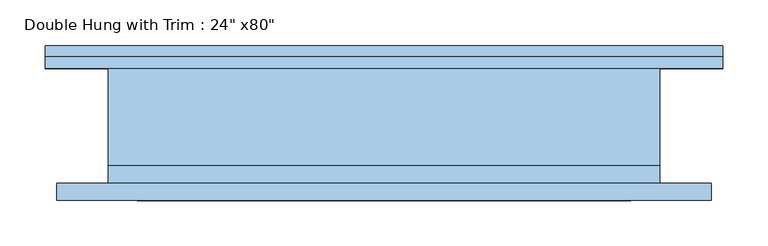
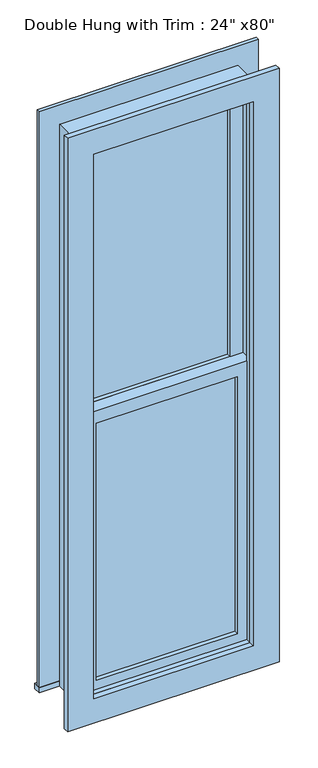
"""IFC4 building model written with IfcOpenShell, lengths in millimetres: window geometry."""

import ifcopenshell
import ifcopenshell.guid

model = None  # the IFC model being written
_history = None  # IfcOwnerHistory: only IFC2X3 demands one
_inside = {}  # id of a spatial element -> (the spatial element, [elements in it])
_under = {}  # id of a project, library or spatial element -> (it, [spatial elements below it])
_declared = {}  # id of a project -> (the project, [libraries it declares])
_typed = {}  # id of a type object -> (the type object, [elements of that type])
_made_of = {}  # id of a material, layer set ... -> (it, [elements and type objects made of it])


def new_model(schema):
    """Start an empty IFC model of exactly this schema.

    Asked for "IFC4X3", IfcOpenShell would pick the latest addendum, in which some entities
    have other attributes; the version numbers below select the first issue.
    IFC2X3 requires an IfcOwnerHistory on every rooted entity: one is made here for all.
    """
    global model, _history
    if schema == "IFC4X3":
        model = ifcopenshell.file(schema_version=(4, 3, 0, 0))
    else:
        model = ifcopenshell.file(schema=schema)
    _inside.clear()
    _under.clear()
    _declared.clear()
    _typed.clear()
    _made_of.clear()
    _history = None
    if model.schema == "IFC2X3":
        org = make("IfcOrganization", Name="unknown")
        user = make(
            "IfcPersonAndOrganization",
            ThePerson=make("IfcPerson", FamilyName="unknown"),
            TheOrganization=org,
        )
        app = make(
            "IfcApplication",
            ApplicationDeveloper=org,
            Version="unknown",
            ApplicationFullName="unknown",
            ApplicationIdentifier="unknown",
        )
        _history = make(
            "IfcOwnerHistory",
            OwningUser=user,
            OwningApplication=app,
            ChangeAction="ADDED",
            CreationDate=0,
        )
    return model


def make(cls, **values):
    """One entity of the class cls with the attributes given. An attribute that is None is left unset."""
    return model.create_entity(
        cls, **{name: value for name, value in values.items() if value is not None}
    )


def rooted(cls, **values):
    """An entity with a GlobalId (a new one), such as an element, a storey or a relation."""
    return make(cls, GlobalId=ifcopenshell.guid.new(), OwnerHistory=_history, **values)


def si_unit(unit_type, name, prefix=None):
    """IfcSIUnit, for example si_unit("LENGTHUNIT", "METRE", prefix="MILLI")."""
    return make("IfcSIUnit", UnitType=unit_type, Prefix=prefix, Name=name)


def assignment(units):
    """IfcUnitAssignment: the units of a project."""
    return None if units is None else make("IfcUnitAssignment", Units=units)


def point(xyz):
    """IfcCartesianPoint."""
    return None if xyz is None else make("IfcCartesianPoint", Coordinates=xyz)


def direction(xyz):
    """IfcDirection."""
    return None if xyz is None else make("IfcDirection", DirectionRatios=xyz)


def frame(location, z_axis=None, x_axis=None):
    """IfcAxis2Placement3D, a coordinate frame: its origin and axes. An axis left out is left unset."""
    return make(
        "IfcAxis2Placement3D",
        Location=point(location),
        Axis=direction(z_axis),
        RefDirection=direction(x_axis),
    )


def origin():
    """The frame at (0, 0, 0) with its axes left unset."""
    return frame((0.0, 0.0, 0.0))


def place(relative_to, where):
    """IfcLocalPlacement: puts the frame where relative to a parent placement (None: the world)."""
    return make(
        "IfcLocalPlacement", PlacementRelTo=relative_to, RelativePlacement=where
    )


def context(
    kind, dimensions, precision=None, world=None, true_north=None, identifier=None
):
    """IfcGeometricRepresentationContext, for example the 3D "Model" context."""
    return make(
        "IfcGeometricRepresentationContext",
        ContextIdentifier=identifier,
        ContextType=kind,
        CoordinateSpaceDimension=dimensions,
        Precision=precision,
        WorldCoordinateSystem=world,
        TrueNorth=true_north,
    )


def project(units=None, contexts=None):
    """IfcProject with its units and contexts."""
    return rooted(
        "IfcProject",
        Name="project",
        RepresentationContexts=contexts,
        UnitsInContext=assignment(units),
    )


def spatial(cls, under=None, at=None, **own):
    """A site, building, storey or space (cls), placed at a placement, below another one or the project."""
    s = rooted(cls, ObjectPlacement=at, **own)
    if under is not None:
        _under.setdefault(under.id(), (under, []))[1].append(s)
    return s


def polyline(points):
    """IfcPolyline through the points."""
    return make("IfcPolyline", Points=[point(p) for p in points])


def outline(outer, holes=None, kind="AREA"):
    """IfcArbitraryClosedProfileDef: a profile drawn as a closed curve; with holes, ...WithVoids."""
    if holes is None:
        return make("IfcArbitraryClosedProfileDef", ProfileType=kind, OuterCurve=outer)
    return make(
        "IfcArbitraryProfileDefWithVoids",
        ProfileType=kind,
        OuterCurve=outer,
        InnerCurves=holes,
    )


def extrude(swept, where, along, depth):
    """IfcExtrudedAreaSolid: the profile swept, set in the frame where, extruded along a direction by depth."""
    return make(
        "IfcExtrudedAreaSolid",
        SweptArea=swept,
        Position=where,
        ExtrudedDirection=direction(along),
        Depth=depth,
    )


def shape(context_of_items, identifier, shape_type, items):
    """IfcShapeRepresentation: the items that make up one representation, for example the "Body"."""
    return make(
        "IfcShapeRepresentation",
        ContextOfItems=context_of_items,
        RepresentationIdentifier=identifier,
        RepresentationType=shape_type,
        Items=items,
    )


def source(mapping_origin, context_of_items, identifier, shape_type, items):
    """IfcRepresentationMap: a shape defined once, which mapped items show again and again."""
    return make(
        "IfcRepresentationMap",
        MappingOrigin=mapping_origin,
        MappedRepresentation=shape(context_of_items, identifier, shape_type, items),
    )


def transform(
    local_origin,
    x_axis=None,
    y_axis=None,
    z_axis=None,
    scale=None,
    scale2=None,
    scale3=None,
    uniform=True,
):
    """IfcCartesianTransformationOperator3D, or its non-uniform kind. x_axis, y_axis, z_axis: its Axis1, 2, 3."""
    if uniform:
        return make(
            "IfcCartesianTransformationOperator3D",
            Axis1=direction(x_axis),
            Axis2=direction(y_axis),
            LocalOrigin=point(local_origin),
            Scale=scale,
            Axis3=direction(z_axis),
        )
    return make(
        "IfcCartesianTransformationOperator3DnonUniform",
        Axis1=direction(x_axis),
        Axis2=direction(y_axis),
        LocalOrigin=point(local_origin),
        Scale=scale,
        Axis3=direction(z_axis),
        Scale2=scale2,
        Scale3=scale3,
    )


def mapped(mapping_source, mapping_target):
    """IfcMappedItem: shows the shape of a source again, moved by a transform."""
    return make(
        "IfcMappedItem", MappingSource=mapping_source, MappingTarget=mapping_target
    )


def made_of(thing, what):
    """Note that an element or type object is made of a material, layer set ...; save() writes the relation."""
    if what is not None:
        _made_of.setdefault(what.id(), (what, []))[1].append(thing)
    return thing


def element(
    cls,
    number,
    at=None,
    inside=None,
    cuts=None,
    type_object=None,
    material=None,
    context=None,
    identifier="Body",
    shape_type=None,
    held_by="IfcProductDefinitionShape",
    body=None,
    shapes=None,
    **own,
):
    """One element of the class cls, such as IfcWall. Its Tag is "e" and its number.

    at: its placement. inside: the storey or other place that contains it. cuts: it is an
    opening in that element (IfcRelVoidsElement). A single representation is given by context,
    identifier, shape_type and body (its items); several are given by shapes. held_by: the class
    of the entity that holds the representations. save() writes the other relations.
    """
    e = rooted(cls, Tag="e%d" % number, ObjectPlacement=at, **own)
    if body is not None:
        shapes = [shape(context, identifier, shape_type, body)]
    if shapes is not None:
        e.Representation = make(held_by, Representations=shapes)
    if inside is not None:
        _inside.setdefault(inside.id(), (inside, []))[1].append(e)
    if cuts is not None:
        rooted(
            "IfcRelVoidsElement", RelatingBuildingElement=cuts, RelatedOpeningElement=e
        )
    if type_object is not None:
        _typed.setdefault(type_object.id(), (type_object, []))[1].append(e)
    return made_of(e, material)


def aggregate(whole, parts):
    """IfcRelAggregates: a whole, such as a stair, and the parts it consists of."""
    return rooted("IfcRelAggregates", RelatingObject=whole, RelatedObjects=parts)


def save(model, path):
    """Write the relations noted so far, then the file.

    IfcRelAggregates (storeys below a building ...), IfcRelContainedInSpatialStructure (elements
    in a storey), IfcRelDefinesByType, IfcRelAssociatesMaterial and IfcRelDeclares: one each for
    every whole, place, type object, material and project.
    """
    for whole, parts in _under.values():
        aggregate(whole, parts)
    for where, things in _inside.values():
        rooted(
            "IfcRelContainedInSpatialStructure",
            RelatedElements=things,
            RelatingStructure=where,
        )
    for kind, things in _typed.values():
        rooted("IfcRelDefinesByType", RelatedObjects=things, RelatingType=kind)
    for what, things in _made_of.values():
        rooted("IfcRelAssociatesMaterial", RelatedObjects=things, RelatingMaterial=what)
    for by, libraries in _declared.values():
        rooted("IfcRelDeclares", RelatingContext=by, RelatedDefinitions=libraries)
    model.write(path)


def window_63db669d(model_context):
    return source(origin(), model_context, "Body", "SweptSolid", [
        extrude(outline(polyline([(-241.3, -15.875), (241.3, -15.875), (241.3, -28.575), (-241.3, -28.575), (-241.3, -15.875)])), frame((0.0, 0.0, 977.9), z_axis=(0.0, 0.0, 1.0), x_axis=(1.0, 0.0, 0.0)), (0.0, 0.0, 1.0), 930.275),
        extrude(outline(polyline([(1952.625, -285.75), (933.45, -285.75), (933.45, 285.75), (1952.625, 285.75), (1952.625, -285.75)]), holes=[polyline([(1908.175, -241.3), (1908.175, 241.3), (977.9, 241.3), (977.9, -241.3), (1908.175, -241.3)])]), frame((0.0, -44.45, 0.0), z_axis=(0.0, 1.0, 0.0), x_axis=(0.0, 0.0, 1.0)), (0.0, 0.0, 1.0), 44.45),
        extrude(outline(polyline([(-374.65, 88.9), (374.65, 88.9), (374.65, 63.5), (-374.65, 63.5), (-374.65, 88.9)])), frame((0.0, 0.0, 914.4), z_axis=(0.0, 0.0, 1.0), x_axis=(1.0, 0.0, 0.0)), (0.0, 0.0, 1.0), 19.05),
        extrude(outline(polyline([(2927.35, -285.75), (2927.35, 285.75), (933.45, 285.75), (933.45, 374.65), (3016.25, 374.65), (3016.25, -374.65), (933.45, -374.65), (933.45, -285.75), (2927.35, -285.75)])), frame((0.0, 63.5, 0.0), z_axis=(0.0, 1.0, 0.0), x_axis=(0.0, 0.0, 1.0)), (0.0, 0.0, 1.0), 12.7),
        extrude(outline(polyline([(3003.55, 361.95), (3003.55, -361.95), (857.25, -361.95), (857.25, 361.95), (3003.55, 361.95)]), holes=[polyline([(2914.65, 273.05), (946.15, 273.05), (946.15, -273.05), (2914.65, -273.05), (2914.65, 273.05)])]), frame((0.0, -82.55, 0.0), z_axis=(0.0, 1.0, 0.0), x_axis=(0.0, 0.0, 1.0)), (0.0, 0.0, 1.0), 19.05),
        extrude(outline(polyline([(241.3, 15.875), (-241.3, 15.875), (-241.3, 28.575), (241.3, 28.575), (241.3, 15.875)])), frame((0.0, 0.0, 1952.625), z_axis=(0.0, 0.0, 1.0), x_axis=(1.0, 0.0, 0.0)), (0.0, 0.0, 1.0), 930.275),
        extrude(outline(polyline([(2927.35, -285.75), (1908.175, -285.75), (1908.175, 285.75), (2927.35, 285.75), (2927.35, -285.75)]), holes=[polyline([(2882.9, -241.3), (2882.9, 241.3), (1952.625, 241.3), (1952.625, -241.3), (2882.9, -241.3)])]), frame((0.0, 0.0, 0.0), z_axis=(0.0, 1.0, 0.0), x_axis=(0.0, 0.0, 1.0)), (0.0, 0.0, 1.0), 44.45),
        extrude(outline(polyline([(2946.4, -304.8), (914.4, -304.8), (914.4, 304.8), (2946.4, 304.8), (2946.4, -304.8)]), holes=[polyline([(2914.65, -273.05), (2914.65, 273.05), (946.15, 273.05), (946.15, -273.05), (2914.65, -273.05)])]), frame((0.0, -63.5, 0.0), z_axis=(0.0, 1.0, 0.0), x_axis=(0.0, 0.0, 1.0)), (0.0, 0.0, 1.0), 19.05),
        extrude(outline(polyline([(2946.4, 304.8), (2946.4, -304.8), (914.4, -304.8), (914.4, 304.8), (2946.4, 304.8)]), holes=[polyline([(2927.35, 285.75), (933.45, 285.75), (933.45, -285.75), (2927.35, -285.75), (2927.35, 285.75)])]), frame((0.0, -44.45, 0.0), z_axis=(0.0, 1.0, 0.0), x_axis=(0.0, 0.0, 1.0)), (0.0, 0.0, 1.0), 107.95),
    ])


if __name__ == "__main__":
    model = new_model("IFC4")
    model_context = context("Model", 3, world=origin())
    ifc_project = project(units=[si_unit("LENGTHUNIT", "METRE", prefix="MILLI")], contexts=[model_context])
    site = spatial("IfcSite", under=ifc_project)
    building = spatial("IfcBuilding", under=site)
    placement = place(None, origin())
    window_shape = window_63db669d(model_context)
    element("IfcWindow", 1, ObjectType="Double Hung with Trim : 24\" x80\"", at=placement, inside=building, context=model_context, shape_type="MappedRepresentation", body=[
        mapped(window_shape, transform((0.0, 0.0, 0.0), x_axis=(1.0, 0.0, 0.0), y_axis=(0.0, 1.0, 0.0), z_axis=(0.0, 0.0, 1.0))),
    ])
    save(model, "model.ifc")
